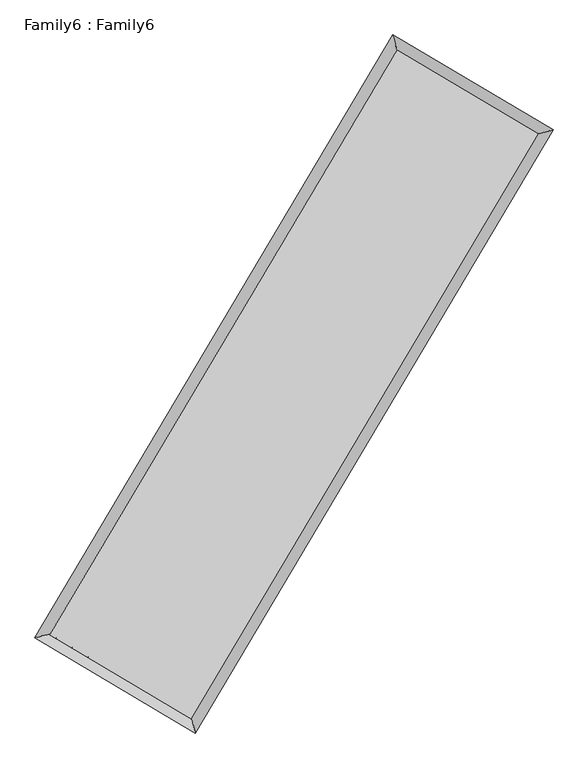
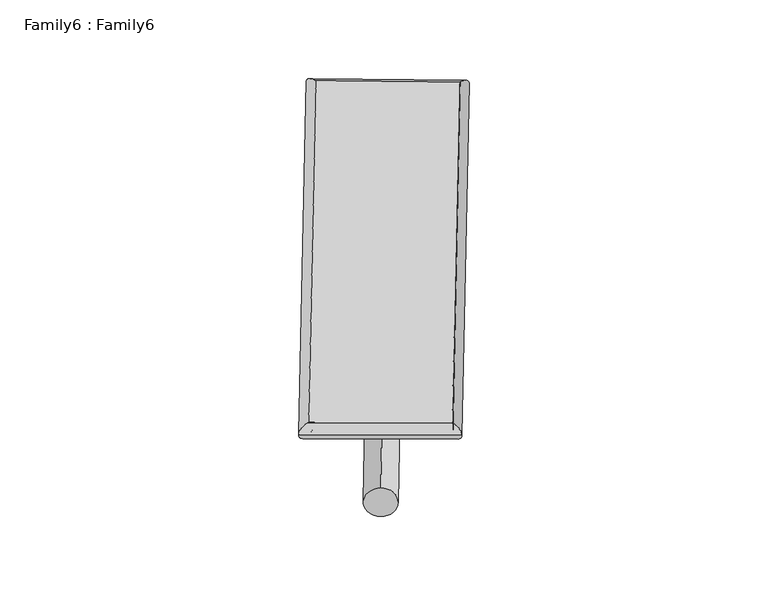
"""IFC4 building model written with IfcOpenShell, lengths in millimetres: plate geometry, Family6 : Family6."""

from ifc_helpers import new_model, si_unit, point, frame, origin, origin_2d, place, context, project, spatial, circle_curve, ellipse_curve, trimmed, segment, composite_curve, outline, extrude, source, transform, mapped, element, save
from ifc_brep_helpers import plane_surface, cylinder_surface, spline_surface, advanced_brep


def family6_family6_d92c62b9(model_context):
    return source(origin(), model_context, "Body", "SolidModel", [
        extrude(outline(composite_curve([segment(trimmed(circle_curve(origin_2d(), 76.2), [point((-75.4341514, -10.7763074))], [point((75.4341514, 10.7763074))], False, "CARTESIAN"), True, "CONTINUOUS"), segment(trimmed(circle_curve(origin_2d(), 76.2), [point((75.4341514, 10.7763074))], [point((-75.4341514, -10.7763074))], False, "CARTESIAN"), True, "CONTINUOUS")], self_intersect=False)), frame((9144.0, 9144.0, 0.0), z_axis=(0.6732691564933132, 0.6874135433766158, 0.27234401645196493), x_axis=(-0.6793722786587403, 0.72049360067033, -0.1390765198843214)), (0.0, 0.0, 1.0), 5566.4542263),
        extrude(outline(composite_curve([segment(trimmed(circle_curve(origin_2d(), 76.2), [point((-53.8815368, 53.8815367))], [point((53.8815368, -53.8815367))], False, "CARTESIAN"), True, "CONTINUOUS"), segment(trimmed(circle_curve(origin_2d(), 76.2), [point((53.8815368, -53.8815367))], [point((-53.8815368, 53.8815367))], False, "CARTESIAN"), True, "CONTINUOUS")], self_intersect=False)), frame((9144.0, 9144.0, 0.0), z_axis=(-0.6736443200705113, -0.6870474586425792, 0.27234008079882777), x_axis=(0.6408250173080305, -0.3594333997389921, 0.6783442550388648)), (0.0, 0.0, 1.0), 5566.6088803),
        extrude(outline(composite_curve([segment(trimmed(circle_curve(origin_2d(), 76.2), [point((-53.8815367, -53.8815367))], [point((53.8815367, 53.8815367))], False, "CARTESIAN"), True, "CONTINUOUS"), segment(trimmed(circle_curve(origin_2d(), 76.2), [point((53.8815367, 53.8815367))], [point((-53.8815367, -53.8815367))], False, "CARTESIAN"), True, "CONTINUOUS")], self_intersect=False)), frame((9144.0, 9144.0, 0.0), z_axis=(0.280770458691178, 0.9196930254641941, 0.2744680098642882), x_axis=(-0.8387626682867526, 0.3741267414345753, -0.3956088568675296)), (0.0, 0.0, 1.0), 5569.5660154),
        extrude(outline(composite_curve([segment(trimmed(circle_curve(origin_2d(), 76.2), [point((-75.4341515, 10.7763073))], [point((75.4341515, -10.7763073))], False, "CARTESIAN"), True, "CONTINUOUS"), segment(trimmed(circle_curve(origin_2d(), 76.2), [point((75.4341515, -10.7763073))], [point((-75.4341515, 10.7763073))], False, "CARTESIAN"), True, "CONTINUOUS")], self_intersect=False)), frame((9144.0, 9144.0, 0.0), z_axis=(-0.2803111862191852, -0.919853355510982, 0.2744001516682897), x_axis=(0.8766271868722301, -0.1288430457545288, 0.4635992286416974)), (0.0, 0.0, 1.0), 5571.0036523),
        advanced_brep(
        [(5185.248391, 5266.285999, 1517.0263476), (5602.9281999, 5372.6727384, 1517.2917807), (5602.9227005, 5372.6650321, 1514.9950769), (10761.0089317, 14057.4956222, 1527.2814368), (10654.530278, 14475.0864163, 1530.0539633), (5185.2428916, 5266.2782927, 1514.7296438), (12682.9086404, 12917.1479789, 1516.1253763), (13100.5352429, 13023.7640687, 1515.8556265), (7529.1096265, 4228.4049315, 1528.4472574), (7635.661089, 3810.5822622, 1528.9212369)],
        [
            (0, 1, ellipse_curve(frame((5394.0855457, 5319.4755155, 1516.0107122), z_axis=(-0.24682551161679409, 0.9690562874755061, -0.0026605486834654934), x_axis=(-0.9690475402005272, -0.24683531183714957, -0.00438105712869792)), 215.5155524, 152.4)),
            (1, 2, ellipse_curve(frame((5394.0855457, 5319.4755155, 1516.0107122), z_axis=(-0.24682551161679409, 0.9690562874755061, -0.0026605486834654934), x_axis=(-0.9690475402005272, -0.24683531183714957, -0.00438105712869792)), 215.5155524, 152.4)),
            (2, 3),
            (3, 4, ellipse_curve(frame((10707.7696049, 14266.2910192, 1528.6677001), z_axis=(-0.9689879863562849, -0.24709341828304382, 0.002669258022956234), x_axis=(0.2470805594816275, -0.9689849932400312, -0.004390899892093673)), 215.4809946, 152.4)),
            (4, 0),
            (2, 5, ellipse_curve(frame((5394.0855457, 5319.4755155, 1516.0107122), z_axis=(-0.24682551161679409, 0.9690562874755061, -0.0026605486834654934), x_axis=(-0.9690475402005272, -0.24683531183714957, -0.00438105712869792)), 215.5155524, 152.4)),
            (5, 0, ellipse_curve(frame((5394.0855457, 5319.4755155, 1516.0107122), z_axis=(-0.24682551161679409, 0.9690562874755061, -0.0026605486834654934), x_axis=(-0.9690475402005272, -0.24683531183714957, -0.00438105712869792)), 215.5155524, 152.4)),
            (4, 3, ellipse_curve(frame((10707.7696049, 14266.2910192, 1528.6677001), z_axis=(-0.9689879863562849, -0.24709341828304382, 0.002669258022956234), x_axis=(0.2470805594816275, -0.9689849932400312, -0.004390899892093673)), 215.4809946, 152.4)),
            (3, 6),
            (6, 7, ellipse_curve(frame((12891.7219416, 12970.4560238, 1515.9905014), z_axis=(-0.24735465678750534, 0.9689213381440419, 0.0026672560234302684), x_axis=(-0.9689125386158941, -0.2473645025086446, 0.004392654272138315)), 215.5119938, 152.4)),
            (7, 4),
            (7, 6, ellipse_curve(frame((12891.7219416, 12970.4560238, 1515.9905014), z_axis=(-0.24735465678750534, 0.9689213381440419, 0.0026672560234302684), x_axis=(-0.9689125386158941, -0.2473645025086446, 0.004392654272138315)), 215.5119938, 152.4)),
            (6, 8),
            (8, 9, ellipse_curve(frame((7582.3853578, 4019.4935969, 1528.6842471), z_axis=(0.9689839344858094, 0.247109415898005, 0.002659188400159909), x_axis=(-0.24709662674360147, 0.9689809375256918, -0.004381753503421837)), 215.5987175, 152.4)),
            (9, 7),
            (9, 8, ellipse_curve(frame((7582.3853578, 4019.4935969, 1528.6842471), z_axis=(0.9689839344858094, 0.247109415898005, 0.002659188400159909), x_axis=(-0.24709662674360147, 0.9689809375256918, -0.004381753503421837)), 215.5987175, 152.4)),
            (8, 1),
            (5, 9),
        ],
        [
            cylinder_surface(frame((5394.0855457, 5319.4755155, 1516.0107122), z_axis=(-0.510645827754532, -0.8597902995020124, -0.0012163384105133516), x_axis=(-0.8597691329735786, 0.5106221082230993, 0.007880392100568694)), 152.4),
            cylinder_surface(frame((10707.7696049, 14266.2910192, 1528.6677001), z_axis=(-0.8599972714751657, 0.5102742132311513, 0.004992030308393338), x_axis=(0.5102938985609188, 0.8599902763446533, 0.004106298107276871)), 152.4),
            cylinder_surface(frame((12891.7219416, 12970.4560238, 1515.9905014), z_axis=(0.5101619881828303, 0.8600774721579868, -0.0012197129455893975), x_axis=(0.8600782719632055, -0.5101619881828302, 0.00033452971214812337)), 152.4),
            cylinder_surface(frame((7582.3853578, 4019.4935969, 1528.6842471), z_axis=(0.8597269734473334, -0.5107296149789246, 0.004979107406764937), x_axis=(-0.5107182743937154, -0.8597412968067774, -0.003427355439215004)), 152.4),
        ],
        [
            (0, [[1, 2, 3, 4, 5]]),
            (0, [[6, 7, -5, 8, -3]]),
            (1, [[-4, 9, 10, 11]]),
            (1, [[-8, -11, 12, -9]]),
            (2, [[-10, 13, 14, 15]]),
            (2, [[-12, -15, 16, -13]]),
            (3, [[-14, 17, -1, -7, 18]]),
            (3, [[-16, -18, -6, -2, -17]]),
        ],
    ),
        extrude(outline(composite_curve([segment(trimmed(circle_curve(origin_2d(), 304.8), [point((0.0, -304.8))], [point((0.0, 304.8))], False, "CARTESIAN"), True, "CONTINUOUS"), segment(trimmed(circle_curve(origin_2d(), 304.8), [point((0.0, 304.8))], [point((0.0, -304.8))], False, "CARTESIAN"), True, "CONTINUOUS")], self_intersect=False)), frame((6483.6806058, 4647.010956, -0.0001342), z_axis=(0.5091559094666475, 0.8606743053299492, 2.5684258561540955e-08), x_axis=(-0.8606743053299495, 0.5091559094666475, 7.0282542137641565e-09)), (0.0, 0.0, 1.0), 10449.9205243),
        advanced_brep(
        [(5394.0855457, 5319.4755155, 1516.0107122), (7582.3853578, 4019.4935969, 1528.6842471), (7582.3848434, 4019.4942292, 1681.0842471), (5394.0850313, 5319.4761478, 1668.4107122), (12891.7219416, 12970.4560238, 1515.9905014), (12891.7214272, 12970.4566561, 1668.3905014), (10707.7696049, 14266.2910192, 1528.6677001), (10707.7690904, 14266.2916515, 1681.0677001)],
        [
            (0, 1),
            (1, 2),
            (2, 3),
            (3, 0),
            (1, 4),
            (4, 5),
            (5, 2),
            (4, 6),
            (6, 7),
            (7, 5),
            (6, 0),
            (3, 7),
        ],
        [
            plane_surface(frame((6488.2354518, 4669.4845562, 1522.3474797), z_axis=(-0.5107359538644387, -0.859737625922459, 1.8429686947066433e-06), x_axis=(0.8597269734473335, -0.5107296149789242, 0.004979107406764937))),
            plane_surface(frame((10237.0536497, 8494.9748103, 1522.3373743), z_axis=(0.8600781150399469, -0.5101623623946924, 5.019825701536428e-06), x_axis=(0.5101619881828301, 0.8600774721579867, -0.0012197129455893986))),
            plane_surface(frame((11799.7457732, 13618.3735215, 1522.3291007), z_axis=(0.5102805635356285, 0.8600079920991174, -1.8456275936349319e-06), x_axis=(-0.8599972714751657, 0.5102742132311513, 0.004992030308393338))),
            plane_surface(frame((8050.9275753, 9792.8832674, 1522.3392061), z_axis=(-0.8597909323942283, 0.5106462107442439, -5.02086374458996e-06), x_axis=(-0.510645827754532, -0.8597902995020122, -0.0012163384105133524))),
            spline_surface(1, 1, [[(7582.3848434, 4019.4942292, 1681.0842471), (5394.0850313, 5319.4761478, 1668.4107122)], [(12891.7214272, 12970.4566561, 1668.3905014), (10707.7690904, 14266.2916515, 1681.0677001)]], [2, 2], [2, 2], [0.0, 1.0], [0.0, 1.0]),
            spline_surface(1, 1, [[(10707.7696049, 14266.2910192, 1528.6677001), (5394.0855457, 5319.4755155, 1516.0107122)], [(12891.7219416, 12970.4560238, 1515.9905014), (7582.3853578, 4019.4935969, 1528.6842471)]], [2, 2], [2, 2], [0.0, 1.0], [0.0, 1.0]),
        ],
        [
            (0, [[1, 2, 3, 4]]),
            (1, [[5, 6, 7, -2]]),
            (2, [[8, 9, 10, -6]]),
            (3, [[11, -4, 12, -9]]),
            (4, [[-3, -7, -10, -12]]),
            (5, [[-11, -8, -5, -1]]),
        ],
    ),
    ])


if __name__ == "__main__":
    model = new_model("IFC4")
    model_context = context("Model", 3, world=origin())
    ifc_project = project(units=[si_unit("LENGTHUNIT", "METRE", prefix="MILLI")], contexts=[model_context])
    site = spatial("IfcSite", under=ifc_project)
    building = spatial("IfcBuilding", under=site)
    placement = place(None, origin())
    family6_family6_shape = family6_family6_d92c62b9(model_context)
    element("IfcPlate", 1, ObjectType="Family6 : Family6", at=placement, inside=building, context=model_context, shape_type="MappedRepresentation", body=[
        mapped(family6_family6_shape, transform((0.0, 0.0, 0.0), x_axis=(1.0, 0.0, 0.0), y_axis=(0.0, 1.0, 0.0), z_axis=(0.0, 0.0, 1.0))),
    ])
    save(model, "model.ifc")
